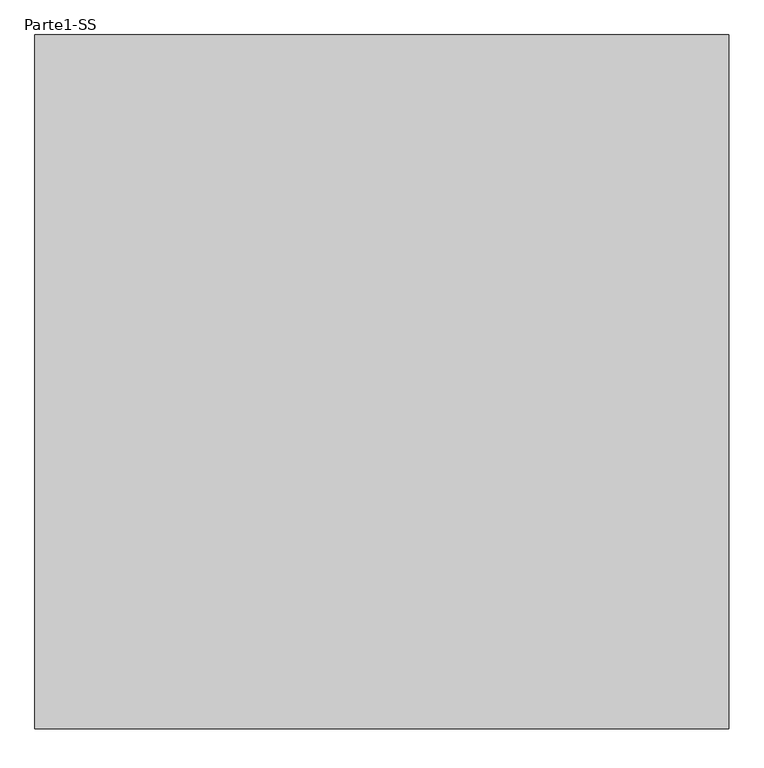
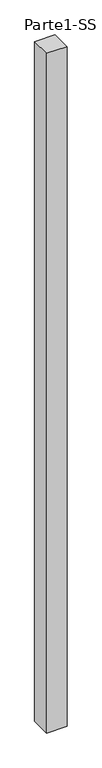
"""IFC4 building model written with IfcOpenShell, lengths in millimetres: proxy geometry, Parte1-SS."""

from ifc_helpers import new_model, si_unit, frame, origin, place, context, project, spatial, polyline, outline, extrude, source, transform, mapped, element, save


def parte1_ss_59095d48(model_context):
    return source(origin(), model_context, "Body", "SweptSolid", [
        extrude(outline(polyline([(2000.0, 2000.0), (2000.0, 0.0), (0.0, 0.0), (0.0, 2000.0), (2000.0, 2000.0)])), frame((0.0, 0.0, 25000.0), z_axis=(0.0, 0.0, 1.0), x_axis=(1.0, 0.0, 0.0)), (0.0, 0.0, 1.0), 70000.0),
    ])


if __name__ == "__main__":
    model = new_model("IFC4")
    model_context = context("Model", 3, world=origin())
    ifc_project = project(units=[si_unit("LENGTHUNIT", "METRE", prefix="MILLI")], contexts=[model_context])
    site = spatial("IfcSite", under=ifc_project)
    building = spatial("IfcBuilding", under=site)
    placement = place(None, origin())
    parte1_ss_shape = parte1_ss_59095d48(model_context)
    element("IfcBuildingElementProxy", 1, Name="Parte1-SS", ObjectType="Parte1-SS", at=placement, inside=building, context=model_context, shape_type="MappedRepresentation", body=[
        mapped(parte1_ss_shape, transform((0.0, 0.0, 0.0), x_axis=(1.0, 0.0, 0.0), y_axis=(0.0, 1.0, 0.0), z_axis=(0.0, 0.0, 1.0))),
    ])
    save(model, "model.ifc")
